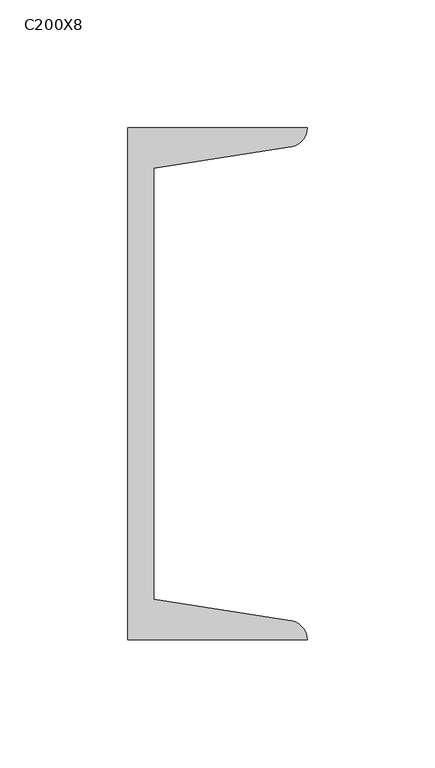
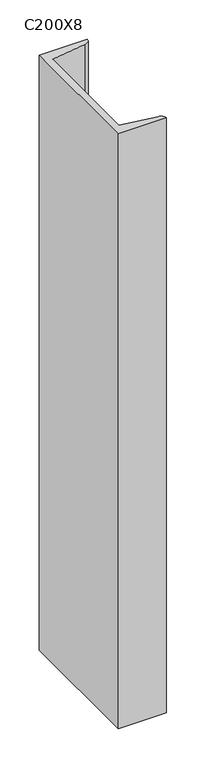
"""IFC4 building model written with IfcOpenShell, lengths in millimetres: column geometry, C200X8."""

import ifcopenshell
import ifcopenshell.guid

model = None  # the IFC model being written
_history = None  # IfcOwnerHistory: only IFC2X3 demands one
_inside = {}  # id of a spatial element -> (the spatial element, [elements in it])
_under = {}  # id of a project, library or spatial element -> (it, [spatial elements below it])
_declared = {}  # id of a project -> (the project, [libraries it declares])
_typed = {}  # id of a type object -> (the type object, [elements of that type])
_made_of = {}  # id of a material, layer set ... -> (it, [elements and type objects made of it])


def new_model(schema):
    """Start an empty IFC model of exactly this schema.

    Asked for "IFC4X3", IfcOpenShell would pick the latest addendum, in which some entities
    have other attributes; the version numbers below select the first issue.
    IFC2X3 requires an IfcOwnerHistory on every rooted entity: one is made here for all.
    """
    global model, _history
    if schema == "IFC4X3":
        model = ifcopenshell.file(schema_version=(4, 3, 0, 0))
    else:
        model = ifcopenshell.file(schema=schema)
    _inside.clear()
    _under.clear()
    _declared.clear()
    _typed.clear()
    _made_of.clear()
    _history = None
    if model.schema == "IFC2X3":
        org = make("IfcOrganization", Name="unknown")
        user = make(
            "IfcPersonAndOrganization",
            ThePerson=make("IfcPerson", FamilyName="unknown"),
            TheOrganization=org,
        )
        app = make(
            "IfcApplication",
            ApplicationDeveloper=org,
            Version="unknown",
            ApplicationFullName="unknown",
            ApplicationIdentifier="unknown",
        )
        _history = make(
            "IfcOwnerHistory",
            OwningUser=user,
            OwningApplication=app,
            ChangeAction="ADDED",
            CreationDate=0,
        )
    return model


def make(cls, **values):
    """One entity of the class cls with the attributes given. An attribute that is None is left unset."""
    return model.create_entity(
        cls, **{name: value for name, value in values.items() if value is not None}
    )


def rooted(cls, **values):
    """An entity with a GlobalId (a new one), such as an element, a storey or a relation."""
    return make(cls, GlobalId=ifcopenshell.guid.new(), OwnerHistory=_history, **values)


def si_unit(unit_type, name, prefix=None):
    """IfcSIUnit, for example si_unit("LENGTHUNIT", "METRE", prefix="MILLI")."""
    return make("IfcSIUnit", UnitType=unit_type, Prefix=prefix, Name=name)


def assignment(units):
    """IfcUnitAssignment: the units of a project."""
    return None if units is None else make("IfcUnitAssignment", Units=units)


def point(xyz):
    """IfcCartesianPoint."""
    return None if xyz is None else make("IfcCartesianPoint", Coordinates=xyz)


def direction(xyz):
    """IfcDirection."""
    return None if xyz is None else make("IfcDirection", DirectionRatios=xyz)


def frame(location, z_axis=None, x_axis=None):
    """IfcAxis2Placement3D, a coordinate frame: its origin and axes. An axis left out is left unset."""
    return make(
        "IfcAxis2Placement3D",
        Location=point(location),
        Axis=direction(z_axis),
        RefDirection=direction(x_axis),
    )


def frame_2d(location, x_axis=None):
    """IfcAxis2Placement2D, a coordinate frame in the plane: its origin and x axis."""
    return make(
        "IfcAxis2Placement2D", Location=point(location), RefDirection=direction(x_axis)
    )


def origin():
    """The frame at (0, 0, 0) with its axes left unset."""
    return frame((0.0, 0.0, 0.0))


def place(relative_to, where):
    """IfcLocalPlacement: puts the frame where relative to a parent placement (None: the world)."""
    return make(
        "IfcLocalPlacement", PlacementRelTo=relative_to, RelativePlacement=where
    )


def context(
    kind, dimensions, precision=None, world=None, true_north=None, identifier=None
):
    """IfcGeometricRepresentationContext, for example the 3D "Model" context."""
    return make(
        "IfcGeometricRepresentationContext",
        ContextIdentifier=identifier,
        ContextType=kind,
        CoordinateSpaceDimension=dimensions,
        Precision=precision,
        WorldCoordinateSystem=world,
        TrueNorth=true_north,
    )


def project(units=None, contexts=None):
    """IfcProject with its units and contexts."""
    return rooted(
        "IfcProject",
        Name="project",
        RepresentationContexts=contexts,
        UnitsInContext=assignment(units),
    )


def spatial(cls, under=None, at=None, **own):
    """A site, building, storey or space (cls), placed at a placement, below another one or the project."""
    s = rooted(cls, ObjectPlacement=at, **own)
    if under is not None:
        _under.setdefault(under.id(), (under, []))[1].append(s)
    return s


def polyline(points):
    """IfcPolyline through the points."""
    return make("IfcPolyline", Points=[point(p) for p in points])


def circle_curve(where, radius):
    """IfcCircle in the frame where."""
    return make("IfcCircle", Position=where, Radius=radius)


def trimmed(basis, trim1, trim2, sense, master):
    """IfcTrimmedCurve: the piece of a basis curve between two trims."""
    return make(
        "IfcTrimmedCurve",
        BasisCurve=basis,
        Trim1=trim1,
        Trim2=trim2,
        SenseAgreement=sense,
        MasterRepresentation=master,
    )


def segment(curve, same_sense, transition):
    """IfcCompositeCurveSegment."""
    return make(
        "IfcCompositeCurveSegment",
        Transition=transition,
        SameSense=same_sense,
        ParentCurve=curve,
    )


def composite_curve(segments, self_intersect=None):
    """IfcCompositeCurve: segments joined end to end."""
    return make("IfcCompositeCurve", Segments=segments, SelfIntersect=self_intersect)


def outline(outer, holes=None, kind="AREA"):
    """IfcArbitraryClosedProfileDef: a profile drawn as a closed curve; with holes, ...WithVoids."""
    if holes is None:
        return make("IfcArbitraryClosedProfileDef", ProfileType=kind, OuterCurve=outer)
    return make(
        "IfcArbitraryProfileDefWithVoids",
        ProfileType=kind,
        OuterCurve=outer,
        InnerCurves=holes,
    )


def extrude(swept, where, along, depth):
    """IfcExtrudedAreaSolid: the profile swept, set in the frame where, extruded along a direction by depth."""
    return make(
        "IfcExtrudedAreaSolid",
        SweptArea=swept,
        Position=where,
        ExtrudedDirection=direction(along),
        Depth=depth,
    )


def shape(context_of_items, identifier, shape_type, items):
    """IfcShapeRepresentation: the items that make up one representation, for example the "Body"."""
    return make(
        "IfcShapeRepresentation",
        ContextOfItems=context_of_items,
        RepresentationIdentifier=identifier,
        RepresentationType=shape_type,
        Items=items,
    )


def source(mapping_origin, context_of_items, identifier, shape_type, items):
    """IfcRepresentationMap: a shape defined once, which mapped items show again and again."""
    return make(
        "IfcRepresentationMap",
        MappingOrigin=mapping_origin,
        MappedRepresentation=shape(context_of_items, identifier, shape_type, items),
    )


def transform(
    local_origin,
    x_axis=None,
    y_axis=None,
    z_axis=None,
    scale=None,
    scale2=None,
    scale3=None,
    uniform=True,
):
    """IfcCartesianTransformationOperator3D, or its non-uniform kind. x_axis, y_axis, z_axis: its Axis1, 2, 3."""
    if uniform:
        return make(
            "IfcCartesianTransformationOperator3D",
            Axis1=direction(x_axis),
            Axis2=direction(y_axis),
            LocalOrigin=point(local_origin),
            Scale=scale,
            Axis3=direction(z_axis),
        )
    return make(
        "IfcCartesianTransformationOperator3DnonUniform",
        Axis1=direction(x_axis),
        Axis2=direction(y_axis),
        LocalOrigin=point(local_origin),
        Scale=scale,
        Axis3=direction(z_axis),
        Scale2=scale2,
        Scale3=scale3,
    )


def mapped(mapping_source, mapping_target):
    """IfcMappedItem: shows the shape of a source again, moved by a transform."""
    return make(
        "IfcMappedItem", MappingSource=mapping_source, MappingTarget=mapping_target
    )


def made_of(thing, what):
    """Note that an element or type object is made of a material, layer set ...; save() writes the relation."""
    if what is not None:
        _made_of.setdefault(what.id(), (what, []))[1].append(thing)
    return thing


def element(
    cls,
    number,
    at=None,
    inside=None,
    cuts=None,
    type_object=None,
    material=None,
    context=None,
    identifier="Body",
    shape_type=None,
    held_by="IfcProductDefinitionShape",
    body=None,
    shapes=None,
    **own,
):
    """One element of the class cls, such as IfcWall. Its Tag is "e" and its number.

    at: its placement. inside: the storey or other place that contains it. cuts: it is an
    opening in that element (IfcRelVoidsElement). A single representation is given by context,
    identifier, shape_type and body (its items); several are given by shapes. held_by: the class
    of the entity that holds the representations. save() writes the other relations.
    """
    e = rooted(cls, Tag="e%d" % number, ObjectPlacement=at, **own)
    if body is not None:
        shapes = [shape(context, identifier, shape_type, body)]
    if shapes is not None:
        e.Representation = make(held_by, Representations=shapes)
    if inside is not None:
        _inside.setdefault(inside.id(), (inside, []))[1].append(e)
    if cuts is not None:
        rooted(
            "IfcRelVoidsElement", RelatingBuildingElement=cuts, RelatedOpeningElement=e
        )
    if type_object is not None:
        _typed.setdefault(type_object.id(), (type_object, []))[1].append(e)
    return made_of(e, material)


def aggregate(whole, parts):
    """IfcRelAggregates: a whole, such as a stair, and the parts it consists of."""
    return rooted("IfcRelAggregates", RelatingObject=whole, RelatedObjects=parts)


def save(model, path):
    """Write the relations noted so far, then the file.

    IfcRelAggregates (storeys below a building ...), IfcRelContainedInSpatialStructure (elements
    in a storey), IfcRelDefinesByType, IfcRelAssociatesMaterial and IfcRelDeclares: one each for
    every whole, place, type object, material and project.
    """
    for whole, parts in _under.values():
        aggregate(whole, parts)
    for where, things in _inside.values():
        rooted(
            "IfcRelContainedInSpatialStructure",
            RelatedElements=things,
            RelatingStructure=where,
        )
    for kind, things in _typed.values():
        rooted("IfcRelDefinesByType", RelatedObjects=things, RelatingType=kind)
    for what, things in _made_of.values():
        rooted("IfcRelAssociatesMaterial", RelatedObjects=things, RelatingMaterial=what)
    for by, libraries in _declared.values():
        rooted("IfcRelDeclares", RelatingContext=by, RelatedDefinitions=libraries)
    model.write(path)


def c200x8_423978dd(model_context):
    return source(origin(), model_context, "Body", "SweptSolid", [
        extrude(outline(composite_curve([segment(polyline([(5.0, 100.0), (75.0, 100.0)]), True, "CONTINUOUS"), segment(trimmed(circle_curve(frame_2d((67.5, 100.0)), 7.5), [point((75.0, 100.0))], [point((67.5, 92.5))], False, "CARTESIAN"), True, "CONTINUOUS"), segment(polyline([(67.5, 92.5), (15.0, 84.1848169), (15.0, -84.1848169), (67.5, -92.5)]), True, "CONTINUOUS"), segment(trimmed(circle_curve(frame_2d((67.5, -100.0)), 7.5), [point((67.5, -92.5))], [point((75.0, -100.0))], False, "CARTESIAN"), True, "CONTINUOUS"), segment(polyline([(75.0, -100.0), (5.0, -100.0), (5.0, 100.0)]), True, "CONTINUOUS")], self_intersect=False)), frame((0.0, 0.0, 9380.0), z_axis=(0.0, 0.0, 1.0), x_axis=(1.0, 0.0, 0.0)), (0.0, 0.0, 1.0), 920.0),
    ])


if __name__ == "__main__":
    model = new_model("IFC4")
    model_context = context("Model", 3, world=origin())
    ifc_project = project(units=[si_unit("LENGTHUNIT", "METRE", prefix="MILLI")], contexts=[model_context])
    site = spatial("IfcSite", under=ifc_project)
    building = spatial("IfcBuilding", under=site)
    placement = place(None, origin())
    c200x8_shape = c200x8_423978dd(model_context)
    element("IfcColumn", 1, ObjectType="C200X8", at=placement, inside=building, context=model_context, shape_type="MappedRepresentation", body=[
        mapped(c200x8_shape, transform((0.0, 0.0, 0.0), x_axis=(1.0, 0.0, 0.0), y_axis=(0.0, 1.0, 0.0), z_axis=(0.0, 0.0, 1.0))),
    ])
    save(model, "model.ifc")
